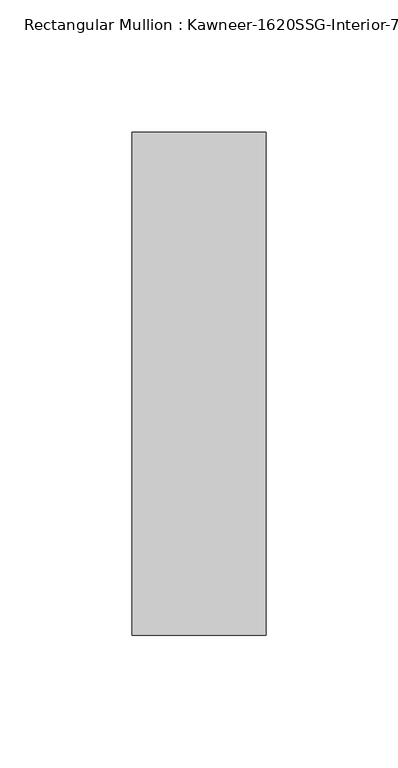
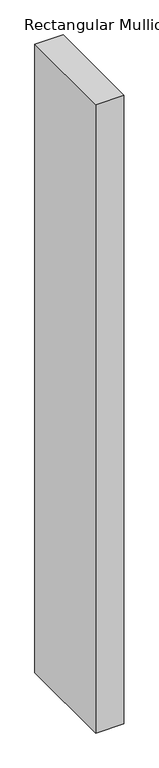
"""IFC4 building model written with IfcOpenShell, lengths in millimetres: member geometry."""

from ifc_helpers import new_model, si_unit, frame, origin, place, context, project, spatial, polyline, outline, extrude, source, transform, mapped, element, save


def member_f0f5fa98(model_context):
    return source(origin(), model_context, "Body", "SweptSolid", [
        extrude(outline(polyline([(25.4, -161.925), (-25.4, -161.925), (-25.4, 28.575), (25.4, 28.575), (25.4, -161.925)])), frame((0.0, 0.0, -1201.0182369), z_axis=(0.0, 0.0, 1.0), x_axis=(1.0, 0.0, 0.0)), (0.0, 0.0, 1.0), 1201.0182369),
    ])


if __name__ == "__main__":
    model = new_model("IFC4")
    model_context = context("Model", 3, world=origin())
    ifc_project = project(units=[si_unit("LENGTHUNIT", "METRE", prefix="MILLI")], contexts=[model_context])
    site = spatial("IfcSite", under=ifc_project)
    building = spatial("IfcBuilding", under=site)
    placement = place(None, origin())
    member_shape = member_f0f5fa98(model_context)
    element("IfcMember", 1, ObjectType="Rectangular Mullion : Kawneer-1620SSG-Interior-7.5\"-1/4\"Infill", at=placement, inside=building, context=model_context, shape_type="MappedRepresentation", body=[
        mapped(member_shape, transform((0.0, 0.0, 0.0), x_axis=(1.0, 0.0, 0.0), y_axis=(0.0, 1.0, 0.0), z_axis=(0.0, 0.0, 1.0))),
    ])
    save(model, "model.ifc")
